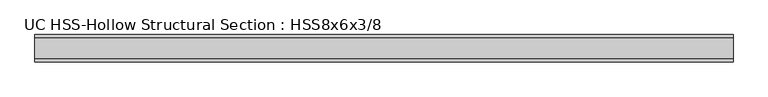
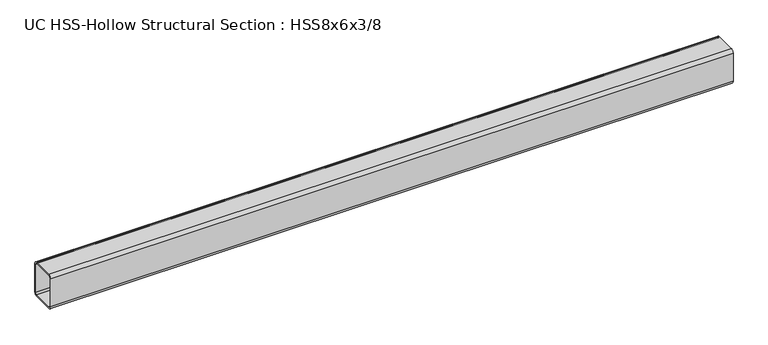
"""IFC4 building model written with IfcOpenShell, lengths in millimetres: beam geometry, UC HSS-Hollow Structural Section : HSS8x6x3/8."""

from ifc_helpers import new_model, si_unit, point, frame, frame_2d, origin, place, context, project, spatial, polyline, circle_curve, trimmed, segment, composite_curve, outline, extrude, source, transform, mapped, element, save


def uc_hss_hollow_structural_section_hss8x6x3_8_00419f3e(model_context):
    return source(origin(), model_context, "Body", "SweptSolid", [
        extrude(outline(composite_curve([segment(trimmed(circle_curve(frame_2d((-58.4708, 83.8708)), 17.7292), [point((-76.2, 83.8708))], [point((-58.4708, 101.6))], False, "CARTESIAN"), True, "CONTINUOUS"), segment(polyline([(-58.4708, 101.6), (58.4708, 101.6)]), True, "CONTINUOUS"), segment(trimmed(circle_curve(frame_2d((58.4708, 83.8708)), 17.7292), [point((58.4708, 101.6))], [point((76.2, 83.8708))], False, "CARTESIAN"), True, "CONTINUOUS"), segment(polyline([(76.2, 83.8708), (76.2, -83.8708)]), True, "CONTINUOUS"), segment(trimmed(circle_curve(frame_2d((58.4708, -83.8708)), 17.7292), [point((76.2, -83.8708))], [point((58.4708, -101.6))], False, "CARTESIAN"), True, "CONTINUOUS"), segment(polyline([(58.4708, -101.6), (-58.4708, -101.6)]), True, "CONTINUOUS"), segment(trimmed(circle_curve(frame_2d((-58.4708, -83.8708)), 17.7292), [point((-58.4708, -101.6))], [point((-76.2, -83.8708))], False, "CARTESIAN"), True, "CONTINUOUS"), segment(polyline([(-76.2, -83.8708), (-76.2, 83.8708)]), True, "CONTINUOUS")], self_intersect=False), holes=[composite_curve([segment(polyline([(58.4708, 92.7354), (-58.4708, 92.7354)]), True, "CONTINUOUS"), segment(trimmed(circle_curve(frame_2d((-58.4708, 83.8708)), 8.8646), [point((-58.4708, 92.7354))], [point((-67.3354, 83.8708))], True, "CARTESIAN"), True, "CONTINUOUS"), segment(polyline([(-67.3354, 83.8708), (-67.3354, -83.8708)]), True, "CONTINUOUS"), segment(trimmed(circle_curve(frame_2d((-58.4708, -83.8708)), 8.8646), [point((-67.3354, -83.8708))], [point((-58.4708, -92.7354))], True, "CARTESIAN"), True, "CONTINUOUS"), segment(polyline([(-58.4708, -92.7354), (58.4708, -92.7354)]), True, "CONTINUOUS"), segment(trimmed(circle_curve(frame_2d((58.4708, -83.8708)), 8.8646), [point((58.4708, -92.7354))], [point((67.3354, -83.8708))], True, "CARTESIAN"), True, "CONTINUOUS"), segment(polyline([(67.3354, -83.8708), (67.3354, 83.8708)]), True, "CONTINUOUS"), segment(trimmed(circle_curve(frame_2d((58.4708, 83.8708)), 8.8646), [point((67.3354, 83.8708))], [point((58.4708, 92.7354))], True, "CARTESIAN"), True, "CONTINUOUS")], self_intersect=False)]), frame((-1968.4999994, 0.0, 0.0), z_axis=(1.0, 0.0, 0.0), x_axis=(0.0, 1.0, 0.0)), (0.0, 0.0, 1.0), 3860.7999994),
    ])


if __name__ == "__main__":
    model = new_model("IFC4")
    model_context = context("Model", 3, world=origin())
    ifc_project = project(units=[si_unit("LENGTHUNIT", "METRE", prefix="MILLI")], contexts=[model_context])
    site = spatial("IfcSite", under=ifc_project)
    building = spatial("IfcBuilding", under=site)
    placement = place(None, origin())
    uc_hss_hollow_structural_section_hss8x6x3_8_shape = uc_hss_hollow_structural_section_hss8x6x3_8_00419f3e(model_context)
    element("IfcBeam", 1, ObjectType="UC HSS-Hollow Structural Section : HSS8x6x3/8", at=placement, inside=building, context=model_context, shape_type="MappedRepresentation", body=[
        mapped(uc_hss_hollow_structural_section_hss8x6x3_8_shape, transform((0.0, 0.0, 0.0), x_axis=(1.0, 0.0, 0.0), y_axis=(0.0, 1.0, 0.0), z_axis=(0.0, 0.0, 1.0))),
    ])
    save(model, "model.ifc")
